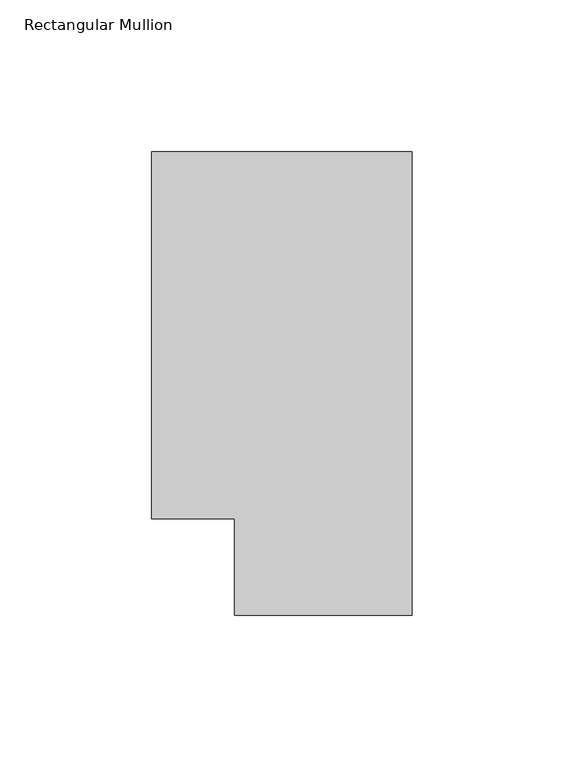
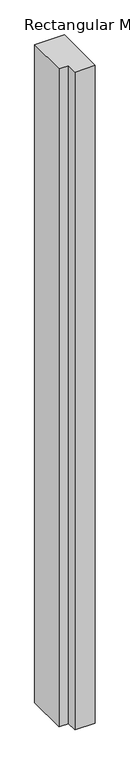
"""IFC4 building model written with IfcOpenShell, lengths in millimetres: member geometry, Rectangular Mullion."""

from ifc_helpers import new_model, si_unit, frame, origin, place, context, project, spatial, polyline, outline, extrude, source, transform, mapped, element, save


def rectangular_mullion_107f08d2(model_context):
    return source(origin(), model_context, "Body", "SweptSolid", [
        extrude(outline(polyline([(0.0, 152.4), (0.0, 0.0), (-58.4073, 0.0), (-58.4073, 31.75), (-85.7123, 31.75), (-85.7123, 152.4), (0.0, 152.4)])), frame((0.0, 0.0, -2000.2328337), z_axis=(0.0, 0.0, 1.0), x_axis=(1.0, 0.0, 0.0)), (0.0, 0.0, 1.0), 2000.2328337),
    ])


if __name__ == "__main__":
    model = new_model("IFC4")
    model_context = context("Model", 3, world=origin())
    ifc_project = project(units=[si_unit("LENGTHUNIT", "METRE", prefix="MILLI")], contexts=[model_context])
    site = spatial("IfcSite", under=ifc_project)
    building = spatial("IfcBuilding", under=site)
    placement = place(None, origin())
    rectangular_mullion_shape = rectangular_mullion_107f08d2(model_context)
    element("IfcMember", 1, ObjectType="Rectangular Mullion", at=placement, inside=building, context=model_context, shape_type="MappedRepresentation", body=[
        mapped(rectangular_mullion_shape, transform((0.0, 0.0, 0.0), x_axis=(1.0, 0.0, 0.0), y_axis=(0.0, 1.0, 0.0), z_axis=(0.0, 0.0, 1.0))),
    ])
    save(model, "model.ifc")
